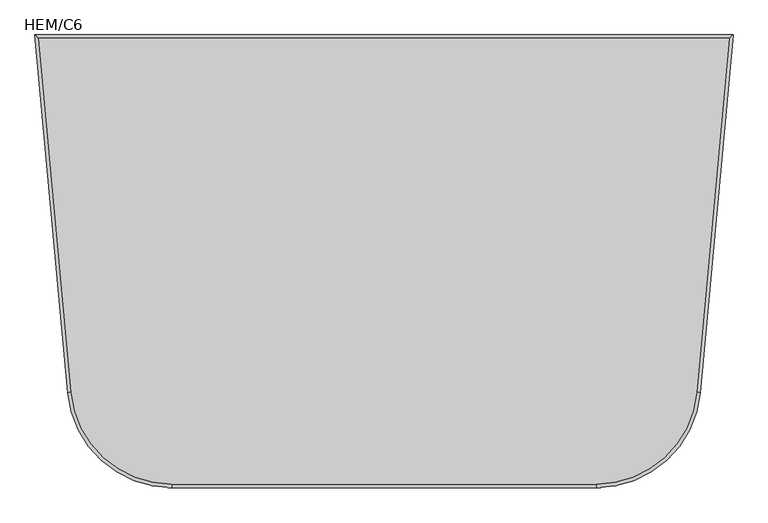
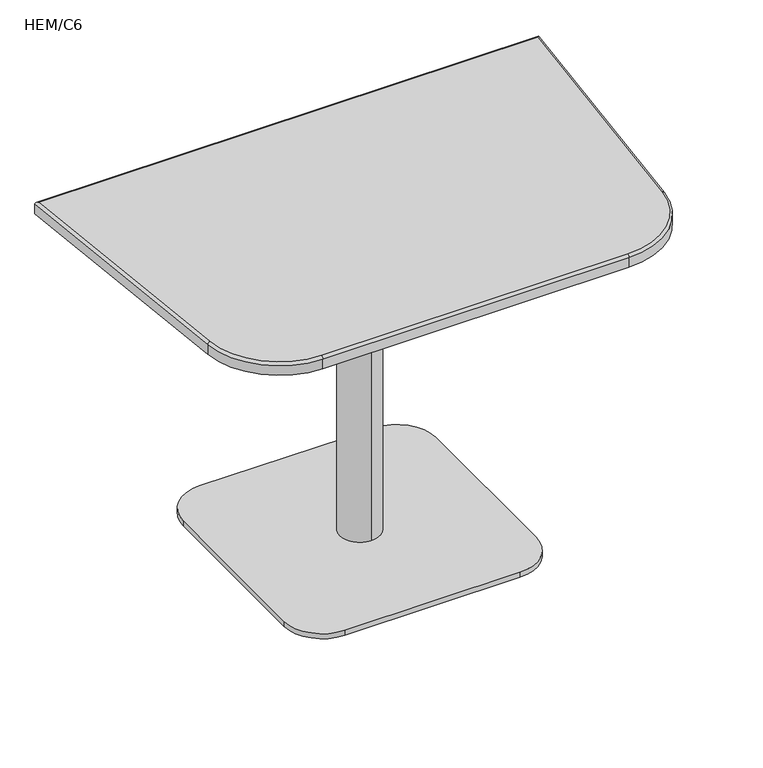
"""IFC4 building model written with IfcOpenShell, lengths in millimetres: furniture geometry, HEM/C6."""

from ifc_helpers import new_model, si_unit, point, frame, frame_2d, origin, origin_with_axes, place, context, project, spatial, polyline, circle_curve, ellipse_curve, trimmed, segment, composite_curve, outline, extrude, source, transform, mapped, element, save
from ifc_brep_helpers import plane_surface, cylinder_surface, revolved_surface, advanced_brep


def hem_c6_d27fb67c(model_context):
    return source(origin(), model_context, "Body", "SolidModel", [
        extrude(outline(composite_curve([segment(trimmed(circle_curve(frame_2d((-191.2781921, 797.8489371)), 30.0), [point((-161.2781921, 797.8489371))], [point((-191.2781921, 767.8489371))], False, "CARTESIAN"), True, "CONTINUOUS"), segment(polyline([(-191.2781921, 767.8489371), (-431.2781921, 767.8489371)]), True, "CONTINUOUS"), segment(trimmed(circle_curve(frame_2d((-431.2781921, 797.8489371)), 30.0), [point((-431.2781921, 767.8489371))], [point((-461.2781921, 797.8489371))], False, "CARTESIAN"), True, "CONTINUOUS"), segment(polyline([(-461.2781921, 797.8489371), (-461.2781921, 1037.8489371)]), True, "CONTINUOUS"), segment(trimmed(circle_curve(frame_2d((-431.2781921, 1037.8489371)), 30.0), [point((-461.2781921, 1037.8489371))], [point((-431.2781921, 1067.8489371))], False, "CARTESIAN"), True, "CONTINUOUS"), segment(polyline([(-431.2781921, 1067.8489371), (-191.2781921, 1067.8489371)]), True, "CONTINUOUS"), segment(trimmed(circle_curve(frame_2d((-191.2781921, 1037.8489371)), 30.0), [point((-191.2781921, 1067.8489371))], [point((-161.2781921, 1037.8489371))], False, "CARTESIAN"), True, "CONTINUOUS"), segment(polyline([(-161.2781921, 1037.8489371), (-161.2781921, 797.8489371)]), True, "CONTINUOUS")], self_intersect=False)), frame((0.0, 0.0, 691.5293538), z_axis=(0.0, 0.0, 1.0), x_axis=(1.0, 0.0, 0.0)), (0.0, 0.0, 1.0), 4.9208205),
        extrude(outline(composite_curve([segment(trimmed(circle_curve(frame_2d((-137.4521014, 744.5209657)), 76.6720286), [point((-60.7800728, 744.5209657))], [point((-137.4521014, 667.8489371))], False, "CARTESIAN"), True, "CONTINUOUS"), segment(polyline([(-137.4521014, 667.8489371), (-485.3283612, 667.8489371)]), True, "CONTINUOUS"), segment(trimmed(circle_curve(frame_2d((-485.3283612, 744.5209657)), 76.6720286), [point((-485.3283612, 667.8489371))], [point((-562.0003898, 744.5209657))], False, "CARTESIAN"), True, "CONTINUOUS"), segment(polyline([(-562.0003898, 744.5209657), (-562.0003898, 1091.1769086)]), True, "CONTINUOUS"), segment(trimmed(circle_curve(frame_2d((-485.3283612, 1091.1769086)), 76.6720286), [point((-562.0003898, 1091.1769086))], [point((-485.3283612, 1167.8489371))], False, "CARTESIAN"), True, "CONTINUOUS"), segment(polyline([(-485.3283612, 1167.8489371), (-137.4521014, 1167.8489371)]), True, "CONTINUOUS"), segment(trimmed(circle_curve(frame_2d((-137.4521014, 1091.1769086)), 76.6720286), [point((-137.4521014, 1167.8489371))], [point((-60.7800728, 1091.1769086))], False, "CARTESIAN"), True, "CONTINUOUS"), segment(polyline([(-60.7800728, 1091.1769086), (-60.7800728, 744.5209657)]), True, "CONTINUOUS")], self_intersect=False)), origin_with_axes(), (0.0, 0.0, 1.0), 10.5506332),
        advanced_brep(
        [(-759.8848851, 654.9321575, 721.4372659), (-615.4926572, 523.1943041, 721.4372659), (-7.2878053, 523.1943041, 721.4372659), (137.1044225, 654.9321575, 721.4372659), (183.7873167, 1163.1943041, 721.4372659), (-806.5677793, 1163.1943041, 721.4372659), (-615.4926572, 518.1943041, 696.4501743), (-764.8639275, 654.4748421, 696.4501743), (-812.0480655, 1168.1943041, 696.4501743), (189.2676029, 1168.1943041, 696.4501743), (142.0834649, 654.4748421, 696.4501743), (-7.2878053, 518.1943041, 696.4501743), (-812.0480655, 1168.1943041, 716.4372659), (189.2676029, 1168.1943041, 716.4372659), (-7.2878053, 518.1943041, 716.4372659), (-615.4926572, 518.1943041, 716.4372659), (142.0834649, 654.4748421, 716.4372685), (-764.8639275, 654.4748421, 716.4372684)],
        [
            (0, 1, circle_curve(frame((-615.4926572, 668.1943041, 721.4372659), z_axis=(0.0, 0.0, 1.0), x_axis=(-0.9958084680381196, -0.09146307989332692, 0.0)), 145.0)),
            (1, 2),
            (2, 3, circle_curve(frame((-7.2878053, 668.1943041, 721.4372659), z_axis=(0.0, 0.0, 1.0), x_axis=(0.0, -1.0, 0.0)), 145.0)),
            (3, 4),
            (4, 5),
            (5, 0),
            (6, 7, circle_curve(frame((-615.4926572, 668.1943041, 696.4501743), z_axis=(0.0, 0.0, -1.0), x_axis=(0.0, -1.0, 0.0)), 150.0)),
            (7, 8),
            (8, 9),
            (9, 10),
            (10, 11, circle_curve(frame((-7.2878053, 668.1943041, 696.4501743), z_axis=(0.0, 0.0, -1.0), x_axis=(0.0, -1.0, 0.0)), 150.0)),
            (11, 6),
            (8, 12),
            (12, 13),
            (13, 9),
            (11, 14),
            (14, 15),
            (15, 6),
            (10, 16),
            (16, 14, circle_curve(frame((-7.2878053, 668.1943041, 716.4372659), z_axis=(0.0, 0.0, -1.0), x_axis=(0.0, -1.0, 0.0)), 150.0)),
            (13, 16),
            (7, 17),
            (17, 12),
            (15, 17, circle_curve(frame((-615.4926572, 668.1943041, 716.4372659), z_axis=(0.0, 0.0, -1.0), x_axis=(0.0, -1.0, 0.0)), 150.0)),
            (15, 1, circle_curve(frame((-615.4926572, 523.1943041, 716.4372659), z_axis=(-0.9999999999999999, 0.0, 0.0), x_axis=(0.0, 0.9999999999999999, 0.0)), 5.0)),
            (0, 17, circle_curve(frame((-759.8848851, 654.9321575, 716.4372659), z_axis=(0.09146307989332685, -0.9958084680381196, 0.0), x_axis=(0.9958084680381196, 0.09146307989332685, 0.0)), 5.0)),
            (14, 2, circle_curve(frame((-7.2878053, 523.1943041, 716.4372659), z_axis=(-1.0, 0.0, 0.0), x_axis=(0.0, 1.0, 0.0)), 5.0)),
            (16, 3, circle_curve(frame((137.1044225, 654.9321575, 716.4372659), z_axis=(-0.09146307989334336, -0.9958084680381182, 0.0), x_axis=(-0.9958084680381182, 0.09146307989334336, 0.0)), 5.0)),
            (13, 4, ellipse_curve(frame((183.7873167, 1163.1943041, 716.4372659), z_axis=(0.6739944065445423, -0.7387364482321624, 0.0), x_axis=(0.7387364482321626, 0.6739944065445421, 0.0)), 7.4184592, 5.0)),
            (12, 5, ellipse_curve(frame((-806.5677793, 1163.1943041, 716.4372659), z_axis=(0.6739944065445421, 0.7387364482321624, 0.0), x_axis=(-0.7387364482321626, 0.673994406544542, 0.0)), 7.4184592, 5.0)),
        ],
        [
            plane_surface(frame((-111.570156, 518.1943041, 721.4372659), z_axis=(0.0, 0.0, 1.0), x_axis=(1.0, 0.0, 0.0))),
            plane_surface(frame((-111.570156, 518.1943041, 696.4501743), z_axis=(0.0, 0.0, -1.0), x_axis=(-1.0, 0.0, 0.0))),
            plane_surface(frame((189.2676029, 1168.1943041, 721.4372659), z_axis=(0.0, 1.0, 0.0), x_axis=(0.0, 0.0, -1.0))),
            plane_surface(frame((-615.4926572, 518.1943041, 721.4372659), z_axis=(0.0, -1.0, 0.0), x_axis=(0.0, 0.0, -1.0))),
            cylinder_surface(frame((-7.2878053, 668.1943041, 696.4501743), z_axis=(0.0, 0.0, 1.0), x_axis=(0.0, -1.0, 0.0)), 150.0),
            plane_surface(frame((142.0834649, 654.4748421, 721.4372659), z_axis=(0.9958084680381184, -0.091463079893342, 0.0), x_axis=(0.0, 0.0, -1.0))),
            plane_surface(frame((-812.0480655, 1168.1943041, 721.4372659), z_axis=(-0.9958084680381186, -0.09146307989333938, 0.0), x_axis=(0.0, 0.0, -1.0))),
            cylinder_surface(frame((-615.4926572, 668.1943041, 696.4501743), z_axis=(0.0, 0.0, 1.0), x_axis=(0.0, -1.0, 0.0)), 150.0),
            revolved_surface(trimmed(ellipse_curve(frame((-759.8848851, 654.9321575, 716.4372659), z_axis=(-0.09146307989332685, 0.9958084680381196, 0.0), x_axis=(0.9958084680381196, 0.09146307989332685, 0.0)), 5.0, 5.0), [point((-764.8639275, 654.4748421, 716.4372659))], [point((-759.8848851, 654.9321575, 721.4372659))], True, "CARTESIAN"), (-615.4926572, 668.1943041, 721.4372659), (0.0, 0.0, 1.0)),
            cylinder_surface(frame((-615.4926572, 523.1943041, 716.4372659), z_axis=(1.0, 0.0, 0.0), x_axis=(0.0, 1.0, 0.0)), 5.0),
            revolved_surface(trimmed(ellipse_curve(frame((-7.2878053, 523.1943041, 716.4372659), z_axis=(-1.0, 0.0, 0.0), x_axis=(0.0, 1.0, 0.0)), 5.0, 5.0), [point((-7.2878053, 518.1943041, 716.4372659))], [point((-7.2878053, 523.1943041, 721.4372659))], True, "CARTESIAN"), (-7.2878053, 668.1943041, 721.4372659), (0.0, 0.0, 1.0)),
            cylinder_surface(frame((137.1044225, 654.9321575, 716.4372659), z_axis=(0.09146307989334215, 0.9958084680381184, 0.0), x_axis=(-0.9958084680381184, 0.09146307989334215, 0.0)), 5.0),
            cylinder_surface(frame((189.2676029, 1163.1943041, 716.4372659), z_axis=(-1.0, 0.0, 0.0), x_axis=(0.0, -1.0, 0.0)), 5.0),
            cylinder_surface(frame((-807.0690231, 1168.6516195, 716.4372659), z_axis=(0.09146307989333928, -0.9958084680381186, 0.0), x_axis=(0.9958084680381186, 0.09146307989333928, 0.0)), 5.0),
        ],
        [
            (0, [[1, 2, 3, 4, 5, 6]]),
            (1, [[7, 8, 9, 10, 11, 12]]),
            (2, [[-9, 13, 14, 15]]),
            (3, [[-12, 16, 17, 18]]),
            (4, [[-11, 19, 20, -16]]),
            (5, [[-10, -15, 21, -19]]),
            (6, [[-8, 22, 23, -13]]),
            (7, [[-7, -18, 24, -22]]),
            (8, [[25, -1, 26, -24]]),
            (9, [[-25, -17, 27, -2]]),
            (10, [[-27, -20, 28, -3]]),
            (11, [[-28, -21, 29, -4]]),
            (12, [[-29, -14, 30, -5]]),
            (13, [[-26, -6, -30, -23]]),
        ],
    ),
        extrude(outline(composite_curve([segment(trimmed(circle_curve(frame_2d((-311.3902313, 917.8489371)), 40.0), [point((-311.3902313, 957.8489371))], [point((-311.3902313, 877.8489371))], False, "CARTESIAN"), True, "CONTINUOUS"), segment(trimmed(circle_curve(frame_2d((-311.3902313, 917.8489371)), 40.0), [point((-311.3902313, 877.8489371))], [point((-311.3902313, 957.8489371))], False, "CARTESIAN"), True, "CONTINUOUS")], self_intersect=False)), frame((0.0, 0.0, 10.5506332), z_axis=(0.0, 0.0, 1.0), x_axis=(1.0, 0.0, 0.0)), (0.0, 0.0, 1.0), 680.9787206),
    ])


if __name__ == "__main__":
    model = new_model("IFC4")
    model_context = context("Model", 3, world=origin())
    ifc_project = project(units=[si_unit("LENGTHUNIT", "METRE", prefix="MILLI")], contexts=[model_context])
    site = spatial("IfcSite", under=ifc_project)
    building = spatial("IfcBuilding", under=site)
    placement = place(None, origin())
    hem_c6_shape = hem_c6_d27fb67c(model_context)
    element("IfcFurniture", 1, ObjectType="HEM/C6", at=placement, inside=building, context=model_context, shape_type="MappedRepresentation", body=[
        mapped(hem_c6_shape, transform((0.0, 0.0, 0.0), x_axis=(1.0, 0.0, 0.0), y_axis=(0.0, 1.0, 0.0), z_axis=(0.0, 0.0, 1.0))),
    ])
    save(model, "model.ifc")
